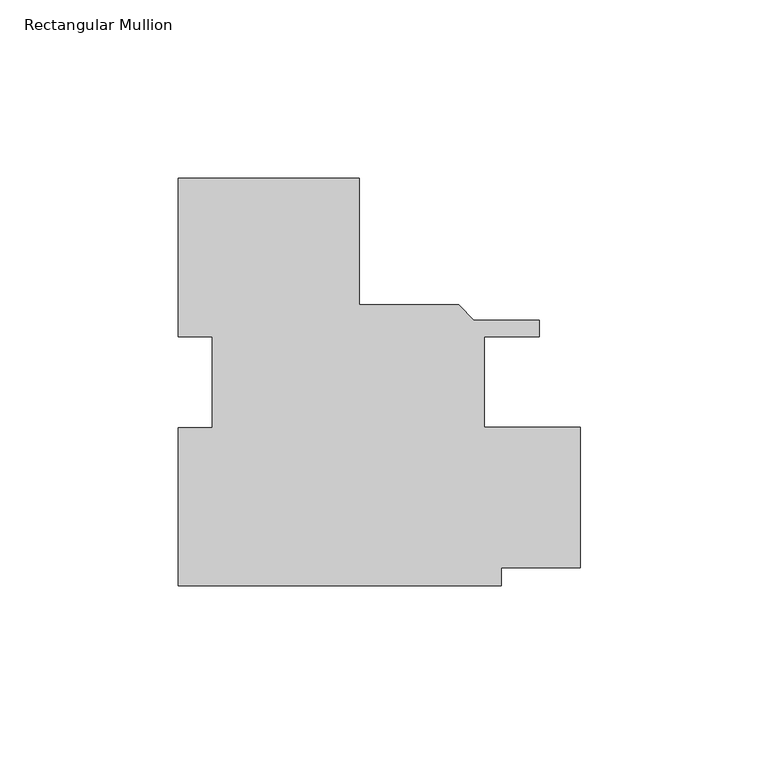
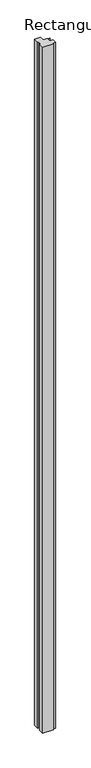
"""IFC4 building model written with IfcOpenShell, lengths in millimetres: member geometry, Rectangular Mullion."""

from ifc_helpers import new_model, si_unit, frame, origin, place, context, project, spatial, polyline, outline, extrude, source, transform, mapped, element, save


def rectangular_mullion_e0ea6c21(model_context):
    return source(origin(), model_context, "Body", "SweptSolid", [
        extrude(outline(polyline([(-25.4, -57.138783), (-25.4, -12.7438492), (-15.875542, -12.7438492), (-15.875542, 12.7438492), (-25.3945923, 12.7438492), (-25.3945923, 57.161217), (25.4054077, 57.161217), (25.4054077, 21.6773962), (53.1949552, 21.6773962), (57.4621552, 17.4101962), (75.8261495, 17.4101962), (75.8261495, 12.7111961), (60.3435135, 12.7111961), (60.3435135, -12.6888037), (87.3125, -12.6888037), (87.3125, -52.0588038), (65.1060135, -52.0588038), (65.1060135, -57.138783), (-25.4, -57.138783)])), frame((0.0, 0.0, -6096.0), z_axis=(0.0, 0.0, 1.0), x_axis=(1.0, 0.0, 0.0)), (0.0, 0.0, 1.0), 6096.0),
    ])


if __name__ == "__main__":
    model = new_model("IFC4")
    model_context = context("Model", 3, world=origin())
    ifc_project = project(units=[si_unit("LENGTHUNIT", "METRE", prefix="MILLI")], contexts=[model_context])
    site = spatial("IfcSite", under=ifc_project)
    building = spatial("IfcBuilding", under=site)
    placement = place(None, origin())
    rectangular_mullion_shape = rectangular_mullion_e0ea6c21(model_context)
    element("IfcMember", 1, ObjectType="Rectangular Mullion", at=placement, inside=building, context=model_context, shape_type="MappedRepresentation", body=[
        mapped(rectangular_mullion_shape, transform((0.0, 0.0, 0.0), x_axis=(1.0, 0.0, 0.0), y_axis=(0.0, 1.0, 0.0), z_axis=(0.0, 0.0, 1.0))),
    ])
    save(model, "model.ifc")
